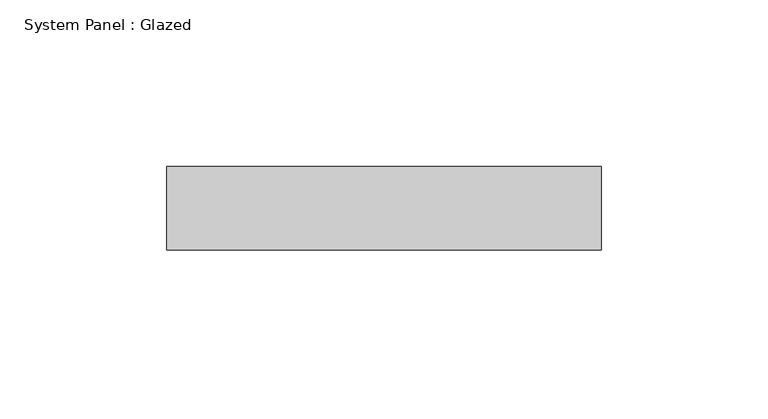
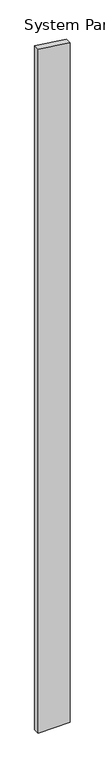
"""IFC4 building model written with IfcOpenShell, lengths in millimetres: plate geometry, System Panel : Glazed."""

from ifc_helpers import new_model, si_unit, frame, origin, place, context, project, spatial, polyline, outline, extrude, source, transform, mapped, element, save


def system_panel_glazed_a334d9bc(model_context):
    return source(origin(), model_context, "Body", "SweptSolid", [
        extrude(outline(polyline([(0.0, -65.0), (0.0, 65.0), (2919.5958787, 65.0), (2938.8373102, -65.0), (0.0, -65.0)])), frame((0.0, 24.5, 0.0), z_axis=(0.0, 1.0, 0.0), x_axis=(0.0, 0.0, 1.0)), (0.0, 0.0, 1.0), 25.0),
    ])


if __name__ == "__main__":
    model = new_model("IFC4")
    model_context = context("Model", 3, world=origin())
    ifc_project = project(units=[si_unit("LENGTHUNIT", "METRE", prefix="MILLI")], contexts=[model_context])
    site = spatial("IfcSite", under=ifc_project)
    building = spatial("IfcBuilding", under=site)
    placement = place(None, origin())
    system_panel_glazed_shape = system_panel_glazed_a334d9bc(model_context)
    element("IfcPlate", 1, ObjectType="System Panel : Glazed", at=placement, inside=building, context=model_context, shape_type="MappedRepresentation", body=[
        mapped(system_panel_glazed_shape, transform((0.0, 0.0, 0.0), x_axis=(1.0, 0.0, 0.0), y_axis=(0.0, 1.0, 0.0), z_axis=(0.0, 0.0, 1.0))),
    ])
    save(model, "model.ifc")
